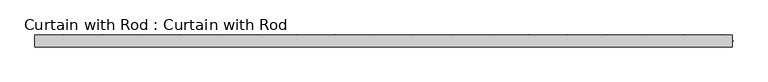
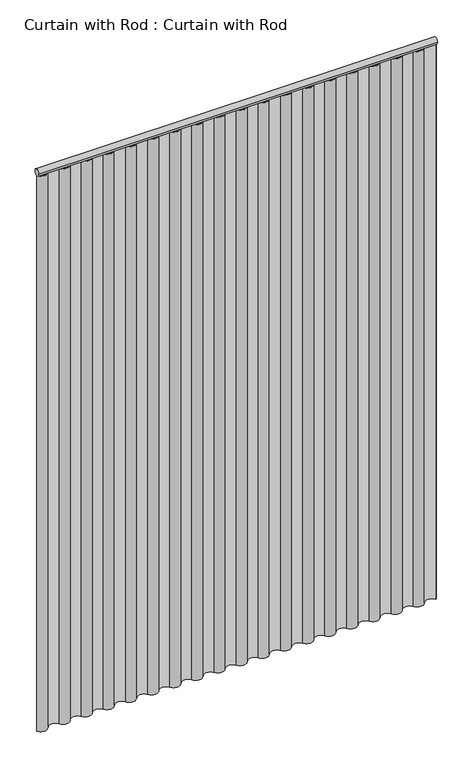
"""IFC4 building model written with IfcOpenShell, lengths in millimetres: proxy geometry, Curtain with Rod : Curtain with Rod."""

from ifc_helpers import new_model, si_unit, point, frame, frame_2d, origin, origin_with_axes, place, context, project, spatial, polyline, circle_curve, trimmed, segment, composite_curve, outline, extrude, source, transform, mapped, element, save


def curtain_with_rod_curtain_with_rod_598a3062(model_context):
    return source(origin(), model_context, "Body", "SweptSolid", [
        extrude(outline(composite_curve([segment(trimmed(circle_curve(frame_2d((0.0, 2171.7)), 12.7), [point((12.7, 2171.7))], [point((-12.7, 2171.7))], False, "CARTESIAN"), True, "CONTINUOUS"), segment(trimmed(circle_curve(frame_2d((0.0, 2171.7)), 12.7), [point((-12.7, 2171.7))], [point((12.7, 2171.7))], False, "CARTESIAN"), True, "CONTINUOUS")], self_intersect=False)), frame((-732.63125, 0.0, 0.0), z_axis=(1.0, 0.0, 0.0), x_axis=(0.0, 1.0, 0.0)), (0.0, 0.0, 1.0), 1465.2625),
        extrude(outline(composite_curve([segment(trimmed(circle_curve(frame_2d((-712.2803819, 12.0568724)), 23.654302), [point((-691.9295139, 0.0))], [point((-732.63125, 0.0))], False, "CARTESIAN"), True, "CONTINUOUS"), segment(polyline([(-732.63125, 0.0), (-730.7648485, 0.0)]), True, "CONTINUOUS"), segment(trimmed(circle_curve(frame_2d((-712.2803819, 12.0568724)), 22.0690661), [point((-730.7648485, 0.0))], [point((-693.2910218, 0.8119678))], True, "CARTESIAN"), True, "CONTINUOUS"), segment(trimmed(circle_curve(frame_2d((-671.5786458, -12.1734801)), 25.2991922), [point((-693.2910218, 0.8119678))], [point((-649.867353, 0.8137787))], False, "CARTESIAN"), True, "CONTINUOUS"), segment(trimmed(circle_curve(frame_2d((-630.8769097, 12.1734801)), 22.1287087), [point((-649.867353, 0.8137787))], [point((-611.8864664, 0.8137787))], True, "CARTESIAN"), True, "CONTINUOUS"), segment(trimmed(circle_curve(frame_2d((-590.1751736, -12.1734801)), 25.2991922), [point((-611.8864664, 0.8137787))], [point((-568.4638808, 0.8137787))], False, "CARTESIAN"), True, "CONTINUOUS"), segment(trimmed(circle_curve(frame_2d((-549.4734375, 12.1734801)), 22.1287087), [point((-568.4638808, 0.8137787))], [point((-530.4829942, 0.8137787))], True, "CARTESIAN"), True, "CONTINUOUS"), segment(trimmed(circle_curve(frame_2d((-508.7717014, -12.1734801)), 25.2991922), [point((-530.4829942, 0.8137787))], [point((-487.0604086, 0.8137787))], False, "CARTESIAN"), True, "CONTINUOUS"), segment(trimmed(circle_curve(frame_2d((-468.0699653, 12.1734801)), 22.1287087), [point((-487.0604086, 0.8137787))], [point((-449.079522, 0.8137787))], True, "CARTESIAN"), True, "CONTINUOUS"), segment(trimmed(circle_curve(frame_2d((-427.3682292, -12.1734801)), 25.2991922), [point((-449.079522, 0.8137787))], [point((-405.6569363, 0.8137787))], False, "CARTESIAN"), True, "CONTINUOUS"), segment(trimmed(circle_curve(frame_2d((-386.6664931, 12.1734801)), 22.1287087), [point((-405.6569363, 0.8137787))], [point((-367.6760498, 0.8137787))], True, "CARTESIAN"), True, "CONTINUOUS"), segment(trimmed(circle_curve(frame_2d((-345.9647569, -12.1734801)), 25.2991922), [point((-367.6760498, 0.8137787))], [point((-324.2534641, 0.8137787))], False, "CARTESIAN"), True, "CONTINUOUS"), segment(trimmed(circle_curve(frame_2d((-305.2630208, 12.1734801)), 22.1287087), [point((-324.2534641, 0.8137787))], [point((-286.2725775, 0.8137787))], True, "CARTESIAN"), True, "CONTINUOUS"), segment(trimmed(circle_curve(frame_2d((-264.5612847, -12.1734801)), 25.2991922), [point((-286.2725775, 0.8137787))], [point((-242.8499919, 0.8137787))], False, "CARTESIAN"), True, "CONTINUOUS"), segment(trimmed(circle_curve(frame_2d((-223.8595486, 12.1734801)), 22.1287087), [point((-242.8499919, 0.8137787))], [point((-204.8691053, 0.8137787))], True, "CARTESIAN"), True, "CONTINUOUS"), segment(trimmed(circle_curve(frame_2d((-183.1578125, -12.1734801)), 25.2991922), [point((-204.8691053, 0.8137787))], [point((-161.4465197, 0.8137787))], False, "CARTESIAN"), True, "CONTINUOUS"), segment(trimmed(circle_curve(frame_2d((-142.4560764, 12.1734801)), 22.1287087), [point((-161.4465197, 0.8137787))], [point((-123.4656331, 0.8137787))], True, "CARTESIAN"), True, "CONTINUOUS"), segment(trimmed(circle_curve(frame_2d((-101.7543403, -12.1734801)), 25.2991922), [point((-123.4656331, 0.8137787))], [point((-80.0430475, 0.8137787))], False, "CARTESIAN"), True, "CONTINUOUS"), segment(trimmed(circle_curve(frame_2d((-61.0526042, 12.1734801)), 22.1287087), [point((-80.0430475, 0.8137787))], [point((-42.0621609, 0.8137787))], True, "CARTESIAN"), True, "CONTINUOUS"), segment(trimmed(circle_curve(frame_2d((-20.3508681, -12.1734801)), 25.2991922), [point((-42.0621609, 0.8137787))], [point((1.3604248, 0.8137787))], False, "CARTESIAN"), True, "CONTINUOUS"), segment(trimmed(circle_curve(frame_2d((20.3508681, 12.1734801)), 22.1287087), [point((1.3604248, 0.8137787))], [point((39.3413113, 0.8137787))], True, "CARTESIAN"), True, "CONTINUOUS"), segment(trimmed(circle_curve(frame_2d((61.0526042, -12.1734801)), 25.2991922), [point((39.3413113, 0.8137787))], [point((82.763897, 0.8137787))], False, "CARTESIAN"), True, "CONTINUOUS"), segment(trimmed(circle_curve(frame_2d((101.7543403, 12.1734801)), 22.1287087), [point((82.763897, 0.8137787))], [point((120.7447836, 0.8137787))], True, "CARTESIAN"), True, "CONTINUOUS"), segment(trimmed(circle_curve(frame_2d((142.4560764, -12.1734801)), 25.2991922), [point((120.7447836, 0.8137787))], [point((164.1673692, 0.8137787))], False, "CARTESIAN"), True, "CONTINUOUS"), segment(trimmed(circle_curve(frame_2d((183.1578125, 12.1734801)), 22.1287087), [point((164.1673692, 0.8137787))], [point((202.1482558, 0.8137787))], True, "CARTESIAN"), True, "CONTINUOUS"), segment(trimmed(circle_curve(frame_2d((223.8595486, -12.1734801)), 25.2991922), [point((202.1482558, 0.8137787))], [point((245.5708414, 0.8137787))], False, "CARTESIAN"), True, "CONTINUOUS"), segment(trimmed(circle_curve(frame_2d((264.5612847, 12.1734801)), 22.1287087), [point((245.5708414, 0.8137787))], [point((283.551728, 0.8137787))], True, "CARTESIAN"), True, "CONTINUOUS"), segment(trimmed(circle_curve(frame_2d((305.2630208, -12.1734801)), 25.2991922), [point((283.551728, 0.8137787))], [point((326.9743137, 0.8137787))], False, "CARTESIAN"), True, "CONTINUOUS"), segment(trimmed(circle_curve(frame_2d((345.9647569, 12.1734801)), 22.1287087), [point((326.9743137, 0.8137787))], [point((364.9552002, 0.8137787))], True, "CARTESIAN"), True, "CONTINUOUS"), segment(trimmed(circle_curve(frame_2d((386.6664931, -12.1734801)), 25.2991922), [point((364.9552002, 0.8137787))], [point((408.3777859, 0.8137787))], False, "CARTESIAN"), True, "CONTINUOUS"), segment(trimmed(circle_curve(frame_2d((427.3682292, 12.1734801)), 22.1287087), [point((408.3777859, 0.8137787))], [point((446.3586725, 0.8137787))], True, "CARTESIAN"), True, "CONTINUOUS"), segment(trimmed(circle_curve(frame_2d((468.0699653, -12.1734801)), 25.2991922), [point((446.3586725, 0.8137787))], [point((489.7812581, 0.8137787))], False, "CARTESIAN"), True, "CONTINUOUS"), segment(trimmed(circle_curve(frame_2d((508.7717014, 12.1734801)), 22.1287087), [point((489.7812581, 0.8137787))], [point((527.7621447, 0.8137787))], True, "CARTESIAN"), True, "CONTINUOUS"), segment(trimmed(circle_curve(frame_2d((549.4734375, -12.1734801)), 25.2991922), [point((527.7621447, 0.8137787))], [point((571.1847303, 0.8137787))], False, "CARTESIAN"), True, "CONTINUOUS"), segment(trimmed(circle_curve(frame_2d((590.1751736, 12.1734801)), 22.1287087), [point((571.1847303, 0.8137787))], [point((609.1656169, 0.8137787))], True, "CARTESIAN"), True, "CONTINUOUS"), segment(trimmed(circle_curve(frame_2d((630.8769097, -12.1734801)), 25.2991922), [point((609.1656169, 0.8137787))], [point((652.591291, 0.8086142))], False, "CARTESIAN"), True, "CONTINUOUS"), segment(trimmed(circle_curve(frame_2d((671.5786458, 12.1603368)), 22.121963), [point((652.591291, 0.8086142))], [point((690.5413254, 0.7674428))], True, "CARTESIAN"), True, "CONTINUOUS"), segment(trimmed(circle_curve(frame_2d((712.2803819, -12.2888069)), 25.3584747), [point((690.5413254, 0.7674428))], [point((734.4622994, 0.0))], False, "CARTESIAN"), True, "CONTINUOUS"), segment(polyline([(734.4622994, 0.0), (732.63125, 0.0)]), True, "CONTINUOUS"), segment(trimmed(circle_curve(frame_2d((712.2803819, -12.2888069)), 23.7733591), [point((732.63125, 0.0))], [point((691.9295139, 0.0))], True, "CARTESIAN"), True, "CONTINUOUS"), segment(trimmed(circle_curve(frame_2d((671.5786458, 12.1603368)), 23.7072061), [point((691.9295139, 0.0))], [point((651.2277778, 0.0))], False, "CARTESIAN"), True, "CONTINUOUS"), segment(trimmed(circle_curve(frame_2d((630.8769097, -12.1734801)), 23.7139505), [point((651.2277778, 0.0))], [point((610.5260417, 0.0))], True, "CARTESIAN"), True, "CONTINUOUS"), segment(trimmed(circle_curve(frame_2d((590.1751736, 12.1734801)), 23.7139505), [point((610.5260417, 0.0))], [point((569.8243056, 0.0))], False, "CARTESIAN"), True, "CONTINUOUS"), segment(trimmed(circle_curve(frame_2d((549.4734375, -12.1734801)), 23.7139505), [point((569.8243056, 0.0))], [point((529.1225694, 0.0))], True, "CARTESIAN"), True, "CONTINUOUS"), segment(trimmed(circle_curve(frame_2d((508.7717014, 12.1734801)), 23.7139505), [point((529.1225694, 0.0))], [point((488.4208333, 0.0))], False, "CARTESIAN"), True, "CONTINUOUS"), segment(trimmed(circle_curve(frame_2d((468.0699653, -12.1734801)), 23.7139505), [point((488.4208333, 0.0))], [point((447.7190972, 0.0))], True, "CARTESIAN"), True, "CONTINUOUS"), segment(trimmed(circle_curve(frame_2d((427.3682292, 12.1734801)), 23.7139505), [point((447.7190972, 0.0))], [point((407.0173611, 0.0))], False, "CARTESIAN"), True, "CONTINUOUS"), segment(trimmed(circle_curve(frame_2d((386.6664931, -12.1734801)), 23.7139505), [point((407.0173611, 0.0))], [point((366.315625, 0.0))], True, "CARTESIAN"), True, "CONTINUOUS"), segment(trimmed(circle_curve(frame_2d((345.9647569, 12.1734801)), 23.7139505), [point((366.315625, 0.0))], [point((325.6138889, 0.0))], False, "CARTESIAN"), True, "CONTINUOUS"), segment(trimmed(circle_curve(frame_2d((305.2630208, -12.1734801)), 23.7139505), [point((325.6138889, 0.0))], [point((284.9121528, 0.0))], True, "CARTESIAN"), True, "CONTINUOUS"), segment(trimmed(circle_curve(frame_2d((264.5612847, 12.1734801)), 23.7139505), [point((284.9121528, 0.0))], [point((244.2104167, 0.0))], False, "CARTESIAN"), True, "CONTINUOUS"), segment(trimmed(circle_curve(frame_2d((223.8595486, -12.1734801)), 23.7139505), [point((244.2104167, 0.0))], [point((203.5086806, 0.0))], True, "CARTESIAN"), True, "CONTINUOUS"), segment(trimmed(circle_curve(frame_2d((183.1578125, 12.1734801)), 23.7139505), [point((203.5086806, 0.0))], [point((162.8069444, 0.0))], False, "CARTESIAN"), True, "CONTINUOUS"), segment(trimmed(circle_curve(frame_2d((142.4560764, -12.1734801)), 23.7139505), [point((162.8069444, 0.0))], [point((122.1052083, 0.0))], True, "CARTESIAN"), True, "CONTINUOUS"), segment(trimmed(circle_curve(frame_2d((101.7543403, 12.1734801)), 23.7139505), [point((122.1052083, 0.0))], [point((81.4034722, 0.0))], False, "CARTESIAN"), True, "CONTINUOUS"), segment(trimmed(circle_curve(frame_2d((61.0526042, -12.1734801)), 23.7139505), [point((81.4034722, 0.0))], [point((40.7017361, 0.0))], True, "CARTESIAN"), True, "CONTINUOUS"), segment(trimmed(circle_curve(frame_2d((20.3508681, 12.1734801)), 23.7139505), [point((40.7017361, 0.0))], [point((0.0, 0.0))], False, "CARTESIAN"), True, "CONTINUOUS"), segment(trimmed(circle_curve(frame_2d((-20.3508681, -12.1734801)), 23.7139505), [point((0.0, 0.0))], [point((-40.7017361, 0.0))], True, "CARTESIAN"), True, "CONTINUOUS"), segment(trimmed(circle_curve(frame_2d((-61.0526042, 12.1734801)), 23.7139505), [point((-40.7017361, 0.0))], [point((-81.4034722, 0.0))], False, "CARTESIAN"), True, "CONTINUOUS"), segment(trimmed(circle_curve(frame_2d((-101.7543403, -12.1734801)), 23.7139505), [point((-81.4034722, 0.0))], [point((-122.1052083, 0.0))], True, "CARTESIAN"), True, "CONTINUOUS"), segment(trimmed(circle_curve(frame_2d((-142.4560764, 12.1734801)), 23.7139505), [point((-122.1052083, 0.0))], [point((-162.8069444, 0.0))], False, "CARTESIAN"), True, "CONTINUOUS"), segment(trimmed(circle_curve(frame_2d((-183.1578125, -12.1734801)), 23.7139505), [point((-162.8069444, 0.0))], [point((-203.5086806, 0.0))], True, "CARTESIAN"), True, "CONTINUOUS"), segment(trimmed(circle_curve(frame_2d((-223.8595486, 12.1734801)), 23.7139505), [point((-203.5086806, 0.0))], [point((-244.2104167, 0.0))], False, "CARTESIAN"), True, "CONTINUOUS"), segment(trimmed(circle_curve(frame_2d((-264.5612847, -12.1734801)), 23.7139505), [point((-244.2104167, 0.0))], [point((-284.9121528, 0.0))], True, "CARTESIAN"), True, "CONTINUOUS"), segment(trimmed(circle_curve(frame_2d((-305.2630208, 12.1734801)), 23.7139505), [point((-284.9121528, 0.0))], [point((-325.6138889, 0.0))], False, "CARTESIAN"), True, "CONTINUOUS"), segment(trimmed(circle_curve(frame_2d((-345.9647569, -12.1734801)), 23.7139505), [point((-325.6138889, 0.0))], [point((-366.315625, 0.0))], True, "CARTESIAN"), True, "CONTINUOUS"), segment(trimmed(circle_curve(frame_2d((-386.6664931, 12.1734801)), 23.7139505), [point((-366.315625, 0.0))], [point((-407.0173611, 0.0))], False, "CARTESIAN"), True, "CONTINUOUS"), segment(trimmed(circle_curve(frame_2d((-427.3682292, -12.1734801)), 23.7139505), [point((-407.0173611, 0.0))], [point((-447.7190972, 0.0))], True, "CARTESIAN"), True, "CONTINUOUS"), segment(trimmed(circle_curve(frame_2d((-468.0699653, 12.1734801)), 23.7139505), [point((-447.7190972, 0.0))], [point((-488.4208333, 0.0))], False, "CARTESIAN"), True, "CONTINUOUS"), segment(trimmed(circle_curve(frame_2d((-508.7717014, -12.1734801)), 23.7139505), [point((-488.4208333, 0.0))], [point((-529.1225694, 0.0))], True, "CARTESIAN"), True, "CONTINUOUS"), segment(trimmed(circle_curve(frame_2d((-549.4734375, 12.1734801)), 23.7139505), [point((-529.1225694, 0.0))], [point((-569.8243056, 0.0))], False, "CARTESIAN"), True, "CONTINUOUS"), segment(trimmed(circle_curve(frame_2d((-590.1751736, -12.1734801)), 23.7139505), [point((-569.8243056, 0.0))], [point((-610.5260417, 0.0))], True, "CARTESIAN"), True, "CONTINUOUS"), segment(trimmed(circle_curve(frame_2d((-630.8769097, 12.1734801)), 23.7139505), [point((-610.5260417, 0.0))], [point((-651.2277778, 0.0))], False, "CARTESIAN"), True, "CONTINUOUS"), segment(trimmed(circle_curve(frame_2d((-671.5786458, -12.1734801)), 23.7139505), [point((-651.2277778, 0.0))], [point((-691.9295139, 0.0))], True, "CARTESIAN"), True, "CONTINUOUS")], self_intersect=False)), origin_with_axes(), (0.0, 0.0, 1.0), 2159.0),
    ])


if __name__ == "__main__":
    model = new_model("IFC4")
    model_context = context("Model", 3, world=origin())
    ifc_project = project(units=[si_unit("LENGTHUNIT", "METRE", prefix="MILLI")], contexts=[model_context])
    site = spatial("IfcSite", under=ifc_project)
    building = spatial("IfcBuilding", under=site)
    placement = place(None, origin())
    curtain_with_rod_curtain_with_rod_shape = curtain_with_rod_curtain_with_rod_598a3062(model_context)
    element("IfcBuildingElementProxy", 1, Name="Curtain with Rod : Curtain with Rod", ObjectType="Curtain with Rod : Curtain with Rod", at=placement, inside=building, context=model_context, shape_type="MappedRepresentation", body=[
        mapped(curtain_with_rod_curtain_with_rod_shape, transform((0.0, 0.0, 0.0), x_axis=(1.0, 0.0, 0.0), y_axis=(0.0, 1.0, 0.0), z_axis=(0.0, 0.0, 1.0))),
    ])
    save(model, "model.ifc")
